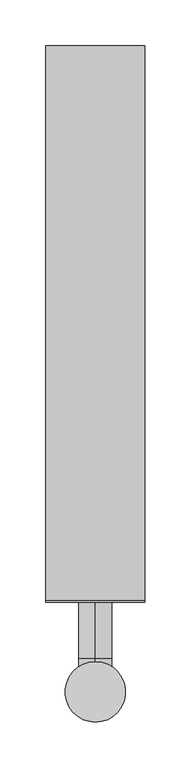
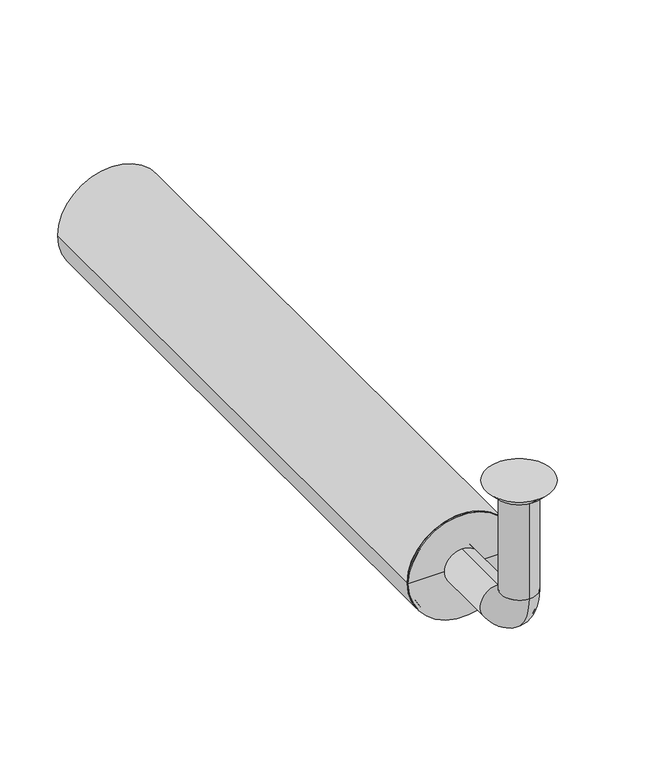
"""IFC4 building model written with IfcOpenShell, lengths in millimetres: beam geometry."""

from ifc_helpers import new_model, si_unit, point, frame, frame_2d, origin, place, context, project, spatial, polyline, circle_curve, ellipse_curve, trimmed, segment, composite_curve, outline, extrude, source, transform, mapped, element, save
from ifc_brep_helpers import plane_surface, cylinder_surface, revolved_surface, advanced_brep


def beam_4391df1a(model_context):
    return source(origin(), model_context, "Body", "SolidModel", [
        extrude(outline(composite_curve([segment(trimmed(circle_curve(frame_2d((-150.0, 0.0)), 54.0), [point((-150.0, 54.0))], [point((-150.0, -54.0))], False, "CARTESIAN"), True, "CONTINUOUS"), segment(trimmed(circle_curve(frame_2d((-150.0, 0.0)), 54.0), [point((-150.0, -54.0))], [point((-150.0, 54.0))], False, "CARTESIAN"), True, "CONTINUOUS")], self_intersect=False), holes=[composite_curve([segment(trimmed(circle_curve(frame_2d((-150.0, 0.0)), 51.0), [point((-150.0, 51.0))], [point((-150.0, -51.0))], True, "CARTESIAN"), True, "CONTINUOUS"), segment(trimmed(circle_curve(frame_2d((-150.0, 0.0)), 51.0), [point((-150.0, -51.0))], [point((-150.0, 51.0))], True, "CARTESIAN"), True, "CONTINUOUS")], self_intersect=False)]), frame((0.0, 100.0, 0.0), z_axis=(0.0, 1.0, 0.0), x_axis=(0.0, 0.0, 1.0)), (0.0, 0.0, 1.0), 605.0),
        advanced_brep(
        [(0.0, -18.0, -10.0), (0.0, 18.0, -10.0), (0.0, -17.0, -10.0), (0.0, 17.0, -10.0), (0.0, -18.0, -114.0), (0.0, 18.0, -114.0), (0.0, -17.0, -114.0), (0.0, 17.0, -114.0), (0.0, 36.0, -132.0), (0.0, 36.0, -168.0), (0.0, 36.0, -133.0), (0.0, 36.0, -167.0), (0.0, 123.0, -168.0), (0.0, 123.0, -132.0), (0.0, 123.0, -167.0), (0.0, 123.0, -133.0)],
        [
            (0, 1, circle_curve(frame((0.0, 0.0, -10.0), z_axis=(0.0, 0.0, 1.0), x_axis=(0.0, 1.0, 0.0)), 18.0)),
            (1, 0, circle_curve(frame((0.0, 0.0, -10.0), z_axis=(0.0, 0.0, 1.0), x_axis=(0.0, 1.0, 0.0)), 18.0)),
            (2, 3, circle_curve(frame((0.0, 0.0, -10.0), z_axis=(0.0, 0.0, -1.0), x_axis=(0.0, 1.0, 0.0)), 17.0)),
            (3, 2, circle_curve(frame((0.0, 0.0, -10.0), z_axis=(0.0, 0.0, -1.0), x_axis=(0.0, 1.0, 0.0)), 17.0)),
            (0, 4),
            (4, 5, circle_curve(frame((0.0, 0.0, -114.0), z_axis=(0.0, 0.0, 1.0), x_axis=(0.0, 1.0, 0.0)), 18.0)),
            (5, 1),
            (5, 4, circle_curve(frame((0.0, 0.0, -114.0), z_axis=(0.0, 0.0, 1.0), x_axis=(0.0, 1.0, 0.0)), 18.0)),
            (2, 6),
            (6, 7, circle_curve(frame((0.0, 0.0, -114.0), z_axis=(0.0, 0.0, -1.0), x_axis=(0.0, 1.0, 0.0)), 17.0)),
            (7, 3),
            (7, 6, circle_curve(frame((0.0, 0.0, -114.0), z_axis=(0.0, 0.0, -1.0), x_axis=(0.0, 1.0, 0.0)), 17.0)),
            (8, 5, circle_curve(frame((0.0, 36.0, -114.0), z_axis=(-1.0, 0.0, 0.0), x_axis=(0.0, -1.0, 0.0)), 18.0)),
            (4, 9, circle_curve(frame((0.0, 36.0, -114.0), z_axis=(1.0, 0.0, 0.0), x_axis=(0.0, -1.0, 0.0)), 54.0)),
            (9, 8, circle_curve(frame((0.0, 36.0, -150.0), z_axis=(0.0, -1.0, 0.0), x_axis=(0.0, 0.0, 1.0)), 18.0)),
            (8, 9, circle_curve(frame((0.0, 36.0, -150.0), z_axis=(0.0, -1.0, 0.0), x_axis=(0.0, 0.0, 1.0)), 18.0)),
            (10, 7, circle_curve(frame((0.0, 36.0, -114.0), z_axis=(-1.0, 0.0, 0.0), x_axis=(0.0, -1.0, 0.0)), 19.0)),
            (6, 11, circle_curve(frame((0.0, 36.0, -114.0), z_axis=(1.0, 0.0, 0.0), x_axis=(0.0, -1.0, 0.0)), 53.0)),
            (11, 10, circle_curve(frame((0.0, 36.0, -150.0), z_axis=(0.0, 1.0, 0.0), x_axis=(0.0, 0.0, 1.0)), 17.0)),
            (10, 11, circle_curve(frame((0.0, 36.0, -150.0), z_axis=(0.0, 1.0, 0.0), x_axis=(0.0, 0.0, 1.0)), 17.0)),
            (12, 13, circle_curve(frame((0.0, 123.0, -150.0), z_axis=(0.0, 1.0, 0.0), x_axis=(0.0, 0.0, 1.0)), 18.0)),
            (13, 12, circle_curve(frame((0.0, 123.0, -150.0), z_axis=(0.0, 1.0, 0.0), x_axis=(0.0, 0.0, 1.0)), 18.0)),
            (14, 15, circle_curve(frame((0.0, 123.0, -150.0), z_axis=(0.0, -1.0, 0.0), x_axis=(0.0, 0.0, 1.0)), 17.0)),
            (15, 14, circle_curve(frame((0.0, 123.0, -150.0), z_axis=(0.0, -1.0, 0.0), x_axis=(0.0, 0.0, 1.0)), 17.0)),
            (9, 12),
            (13, 8),
            (11, 14),
            (15, 10),
        ],
        [
            plane_surface(frame((0.0, 0.0, -10.0), z_axis=(0.0, 0.0, 1.0), x_axis=(1.0, 0.0, 0.0))),
            cylinder_surface(frame((0.0, 0.0, -10.0), z_axis=(0.0, 0.0, 1.0), x_axis=(0.0, 1.0, 0.0)), 18.0),
            revolved_surface(polyline([(0.0, 17.0, -114.0), (0.0, 17.0, -10.0)]), (0.0, 0.0, -10.0), (0.0, 0.0, -1.0)),
            revolved_surface(trimmed(ellipse_curve(frame((0.0, 0.0, -114.0), z_axis=(0.0, 0.0, 1.0), x_axis=(0.0, 1.0, 0.0)), 18.0, 18.0), [point((0.0, -18.0, -114.0))], [point((0.0, 18.0, -114.0))], True, "CARTESIAN"), (0.0, 36.0, -114.0), (1.0, 0.0, 0.0)),
            revolved_surface(trimmed(ellipse_curve(frame((0.0, 0.0, -114.0), z_axis=(0.0, 0.0, 1.0), x_axis=(0.0, 1.0, 0.0)), 18.0, 18.0), [point((0.0, 18.0, -114.0))], [point((0.0, -18.0, -114.0))], True, "CARTESIAN"), (0.0, 36.0, -114.0), (1.0, 0.0, 0.0)),
            revolved_surface(trimmed(ellipse_curve(frame((0.0, 0.0, -114.0), z_axis=(0.0, 0.0, -1.0), x_axis=(0.0, 1.0, 0.0)), 17.0, 17.0), [point((0.0, -17.0, -114.0))], [point((0.0, 17.0, -114.0))], True, "CARTESIAN"), (0.0, 36.0, -114.0), (1.0, 0.0, 0.0)),
            revolved_surface(trimmed(ellipse_curve(frame((0.0, 0.0, -114.0), z_axis=(0.0, 0.0, -1.0), x_axis=(0.0, 1.0, 0.0)), 17.0, 17.0), [point((0.0, 17.0, -114.0))], [point((0.0, -17.0, -114.0))], True, "CARTESIAN"), (0.0, 36.0, -114.0), (1.0, 0.0, 0.0)),
            plane_surface(frame((0.0, 123.0, -150.0), z_axis=(0.0, 1.0, 0.0), x_axis=(1.0, 0.0, 0.0))),
            cylinder_surface(frame((0.0, 36.0, -150.0), z_axis=(0.0, -1.0, 0.0), x_axis=(0.0, 0.0, 1.0)), 18.0),
            revolved_surface(polyline([(0.0, 123.0, -133.0), (0.0, 36.0, -133.0)]), (0.0, 36.0, -150.0), (0.0, 1.0, 0.0)),
        ],
        [
            (0, [[1, 2], [3, 4]]),
            (1, [[-1, 5, 6, 7]]),
            (1, [[-2, -7, 8, -5]]),
            (2, [[-3, 9, 10, 11]]),
            (2, [[-4, -11, 12, -9]]),
            (3, [[13, -6, 14, 15]]),
            (4, [[-14, -8, -13, 16]]),
            (5, [[17, -10, 18, 19]]),
            (6, [[-18, -12, -17, 20]]),
            (7, [[21, 22], [23, 24]]),
            (8, [[-15, 25, -22, 26]]),
            (8, [[-16, -26, -21, -25]]),
            (9, [[-19, 27, -24, 28]]),
            (9, [[-20, -28, -23, -27]]),
        ],
    ),
        advanced_brep(
        [(0.0, 23.0, -10.0), (0.0, -23.0, -10.0), (0.0, 33.0, 0.0), (0.0, -33.0, 0.0)],
        [
            (0, 1, circle_curve(frame((0.0, 0.0, -10.0), z_axis=(0.0, 0.0, -1.0), x_axis=(0.0, 1.0, 0.0)), 23.0)),
            (1, 0, circle_curve(frame((0.0, 0.0, -10.0), z_axis=(0.0, 0.0, -1.0), x_axis=(0.0, -1.0, 0.0)), 23.0)),
            (2, 3, circle_curve(frame((0.0, 0.0, 0.0), z_axis=(0.0, 0.0, 1.0), x_axis=(0.0, -1.0, 0.0)), 33.0)),
            (3, 2, circle_curve(frame((0.0, 0.0, 0.0), z_axis=(0.0, 0.0, 1.0), x_axis=(0.0, 1.0, 0.0)), 33.0)),
            (3, 1),
            (0, 2),
        ],
        [
            plane_surface(frame((0.0, 0.0, -10.0), z_axis=(0.0, 0.0, -1.0), x_axis=(-1.0, 0.0, 0.0))),
            plane_surface(frame((0.0, 0.0, 0.0), z_axis=(0.0, 0.0, 1.0), x_axis=(-1.0, 0.0, 0.0))),
            revolved_surface(polyline([(0.0, 23.0, -10.0), (0.0, 33.0, 0.0)]), (0.0, 0.0, -33.0), (0.0, 0.0, 1.0)),
            revolved_surface(polyline([(0.0, -23.0, -10.0), (0.0, -33.0, 0.0)]), (0.0, 0.0, -33.0), (0.0, 0.0, 1.0)),
        ],
        [
            (0, [[1, 2]]),
            (1, [[3, 4]]),
            (2, [[-4, 5, -1, 6]]),
            (3, [[-3, -6, -2, -5]]),
        ],
    ),
        advanced_brep(
        [(51.0, 100.0, -150.0), (-51.0, 100.0, -150.0), (-51.0, 123.0, -150.0), (51.0, 123.0, -150.0), (-18.0, 123.0, -150.0), (18.0, 123.0, -150.0), (-18.0, 98.0, -150.0), (18.0, 98.0, -150.0), (-54.0, 98.0, -150.0), (54.0, 98.0, -150.0), (-54.0, 100.0, -150.0), (54.0, 100.0, -150.0)],
        [
            (0, 1, circle_curve(frame((0.0, 100.0, -150.0), z_axis=(0.0, 1.0, 0.0), x_axis=(-1.0, 0.0, 0.0)), 51.0)),
            (1, 2),
            (2, 3, circle_curve(frame((0.0, 123.0, -150.0), z_axis=(0.0, -1.0, 0.0), x_axis=(-1.0, 0.0, 0.0)), 51.0)),
            (3, 0),
            (1, 0, circle_curve(frame((0.0, 100.0, -150.0), z_axis=(0.0, 1.0, 0.0), x_axis=(-1.0, 0.0, 0.0)), 51.0)),
            (3, 2, circle_curve(frame((0.0, 123.0, -150.0), z_axis=(0.0, -1.0, 0.0), x_axis=(-1.0, 0.0, 0.0)), 51.0)),
            (2, 4),
            (4, 5, circle_curve(frame((0.0, 123.0, -150.0), z_axis=(0.0, -1.0, 0.0), x_axis=(-1.0, 0.0, 0.0)), 18.0)),
            (5, 3),
            (5, 4, circle_curve(frame((0.0, 123.0, -150.0), z_axis=(0.0, -1.0, 0.0), x_axis=(-1.0, 0.0, 0.0)), 18.0)),
            (4, 6),
            (6, 7, circle_curve(frame((0.0, 98.0, -150.0), z_axis=(0.0, -1.0, 0.0), x_axis=(-1.0, 0.0, 0.0)), 18.0)),
            (7, 5),
            (7, 6, circle_curve(frame((0.0, 98.0, -150.0), z_axis=(0.0, -1.0, 0.0), x_axis=(-1.0, 0.0, 0.0)), 18.0)),
            (6, 8),
            (8, 9, circle_curve(frame((0.0, 98.0, -150.0), z_axis=(0.0, -1.0, 0.0), x_axis=(-1.0, 0.0, 0.0)), 54.0)),
            (9, 7),
            (9, 8, circle_curve(frame((0.0, 98.0, -150.0), z_axis=(0.0, -1.0, 0.0), x_axis=(-1.0, 0.0, 0.0)), 54.0)),
            (8, 10),
            (10, 11, circle_curve(frame((0.0, 100.0, -150.0), z_axis=(0.0, -1.0, 0.0), x_axis=(-1.0, 0.0, 0.0)), 54.0)),
            (11, 9),
            (11, 10, circle_curve(frame((0.0, 100.0, -150.0), z_axis=(0.0, -1.0, 0.0), x_axis=(-1.0, 0.0, 0.0)), 54.0)),
            (10, 1),
            (0, 11),
        ],
        [
            cylinder_surface(frame((0.0, 98.0, -150.0), z_axis=(0.0, -1.0, 0.0), x_axis=(-1.0, 0.0, 0.0)), 51.0),
            plane_surface(frame((0.0, 123.0, -150.0), z_axis=(0.0, 1.0, 0.0), x_axis=(-1.0, 0.0, 0.0))),
            revolved_surface(polyline([(-18.0, 98.0, -150.0), (-18.0, 123.0, -150.0)]), (0.0, 98.0, -150.0), (0.0, -1.0, 0.0)),
            plane_surface(frame((0.0, 98.0, -150.0), z_axis=(0.0, -1.0, 0.0), x_axis=(-1.0, 0.0, 0.0))),
            cylinder_surface(frame((0.0, 98.0, -150.0), z_axis=(0.0, -1.0, 0.0), x_axis=(-1.0, 0.0, 0.0)), 54.0),
            plane_surface(frame((0.0, 100.0, -150.0), z_axis=(0.0, 1.0, 0.0), x_axis=(-1.0, 0.0, 0.0))),
        ],
        [
            (0, [[1, 2, 3, 4]]),
            (0, [[5, -4, 6, -2]]),
            (1, [[-3, 7, 8, 9]]),
            (1, [[-6, -9, 10, -7]]),
            (2, [[-8, 11, 12, 13]]),
            (2, [[-10, -13, 14, -11]]),
            (3, [[-12, 15, 16, 17]]),
            (3, [[-14, -17, 18, -15]]),
            (4, [[-16, 19, 20, 21]]),
            (4, [[-18, -21, 22, -19]]),
            (5, [[-20, 23, -1, 24]]),
            (5, [[-22, -24, -5, -23]]),
        ],
    ),
    ])


if __name__ == "__main__":
    model = new_model("IFC4")
    model_context = context("Model", 3, world=origin())
    ifc_project = project(units=[si_unit("LENGTHUNIT", "METRE", prefix="MILLI")], contexts=[model_context])
    site = spatial("IfcSite", under=ifc_project)
    building = spatial("IfcBuilding", under=site)
    placement = place(None, origin())
    beam_shape = beam_4391df1a(model_context)
    element("IfcBeam", 1, at=placement, inside=building, context=model_context, shape_type="MappedRepresentation", body=[
        mapped(beam_shape, transform((0.0, 0.0, 0.0), x_axis=(1.0, 0.0, 0.0), y_axis=(0.0, 1.0, 0.0), z_axis=(0.0, 0.0, 1.0))),
    ])
    save(model, "model.ifc")
